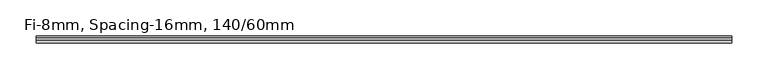
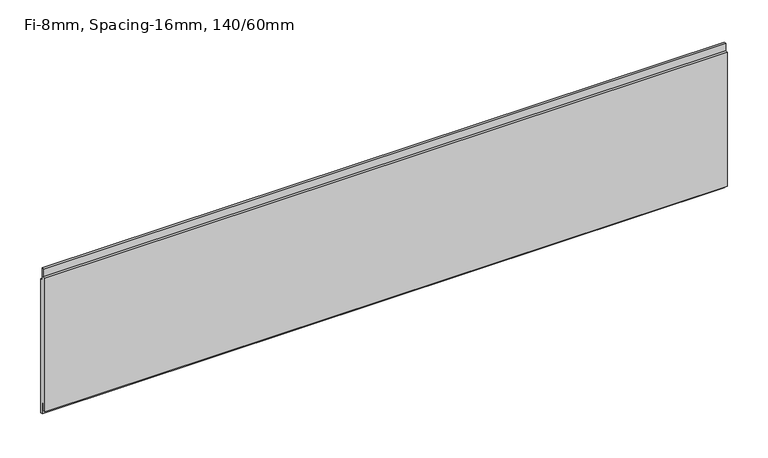
"""IFC4 building model written with IfcOpenShell, lengths in millimetres: plate geometry, Fi-8mm, Spacing-16mm, 140/60mm."""

from ifc_helpers import new_model, si_unit, frame, origin, place, context, project, spatial, polyline, outline, extrude, source, transform, mapped, element, save


def fi_8mm_spacing_16mm_140_60mm_31d96ede(model_context):
    return source(origin(), model_context, "Body", "SweptSolid", [
        extrude(outline(polyline([(-1.0, 211.0), (2.0, 211.0), (2.0, 193.0), (5.0, 193.0), (5.0, -7.0), (2.0, -7.0), (2.0, 11.0), (-1.0, 11.0), (-1.0, 0.0), (-5.0, 0.0), (-5.0, 200.0), (-1.0, 200.0), (-1.0, 211.0)])), frame((-482.25, 0.0, 0.0), z_axis=(1.0, 0.0, 0.0), x_axis=(0.0, 1.0, 0.0)), (0.0, 0.0, 1.0), 964.5),
    ])


if __name__ == "__main__":
    model = new_model("IFC4")
    model_context = context("Model", 3, world=origin())
    ifc_project = project(units=[si_unit("LENGTHUNIT", "METRE", prefix="MILLI")], contexts=[model_context])
    site = spatial("IfcSite", under=ifc_project)
    building = spatial("IfcBuilding", under=site)
    placement = place(None, origin())
    fi_8mm_spacing_16mm_140_60mm_shape = fi_8mm_spacing_16mm_140_60mm_31d96ede(model_context)
    element("IfcPlate", 1, ObjectType="Fi-8mm, Spacing-16mm, 140/60mm", at=placement, inside=building, context=model_context, shape_type="MappedRepresentation", body=[
        mapped(fi_8mm_spacing_16mm_140_60mm_shape, transform((0.0, 0.0, 0.0), x_axis=(1.0, 0.0, 0.0), y_axis=(0.0, 1.0, 0.0), z_axis=(0.0, 0.0, 1.0))),
    ])
    save(model, "model.ifc")
